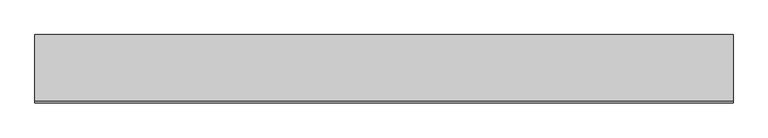
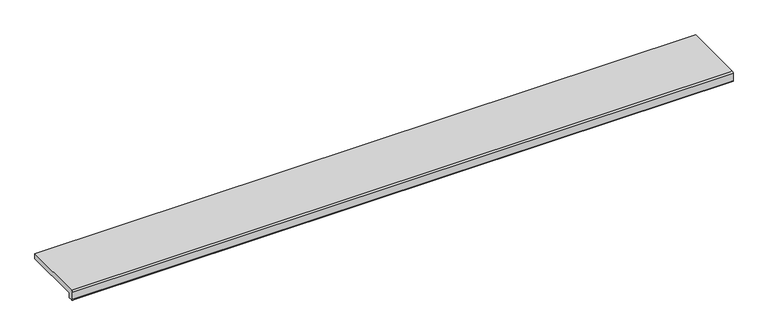
"""IFC4 building model written with IfcOpenShell, lengths in millimetres: proxy geometry."""

from ifc_helpers import new_model, si_unit, point, frame, frame_2d, origin, place, context, project, spatial, polyline, circle_curve, trimmed, segment, composite_curve, outline, extrude, source, transform, mapped, element, save


def generic_models_59ca301e(model_context):
    return source(origin(), model_context, "Body", "SweptSolid", [
        extrude(outline(composite_curve([segment(polyline([(-245.0, 30.0), (0.0, 30.0), (0.0, 10.0), (-230.0, 10.0), (-230.0, -10.0), (-245.0, -10.0)]), True, "CONTINUOUS"), segment(trimmed(circle_curve(frame_2d((-245.0, -5.0)), 5.0), [point((-245.0, -10.0))], [point((-250.0, -5.0))], False, "CARTESIAN"), True, "CONTINUOUS"), segment(polyline([(-250.0, -5.0), (-250.0, 25.0)]), True, "CONTINUOUS"), segment(trimmed(circle_curve(frame_2d((-245.0, 25.0)), 5.0), [point((-250.0, 25.0))], [point((-245.0, 30.0))], False, "CARTESIAN"), True, "CONTINUOUS")], self_intersect=False)), frame((-1275.0, 0.0, 0.0), z_axis=(1.0, 0.0, 0.0), x_axis=(0.0, 1.0, 0.0)), (0.0, 0.0, 1.0), 2550.0),
    ])


if __name__ == "__main__":
    model = new_model("IFC4")
    model_context = context("Model", 3, world=origin())
    ifc_project = project(units=[si_unit("LENGTHUNIT", "METRE", prefix="MILLI")], contexts=[model_context])
    site = spatial("IfcSite", under=ifc_project)
    building = spatial("IfcBuilding", under=site)
    placement = place(None, origin())
    generic_models_shape = generic_models_59ca301e(model_context)
    element("IfcBuildingElementProxy", 1, Name="Generic Models", at=placement, inside=building, context=model_context, shape_type="MappedRepresentation", body=[
        mapped(generic_models_shape, transform((0.0, 0.0, 0.0), x_axis=(1.0, 0.0, 0.0), y_axis=(0.0, 1.0, 0.0), z_axis=(0.0, 0.0, 1.0))),
    ])
    save(model, "model.ifc")
